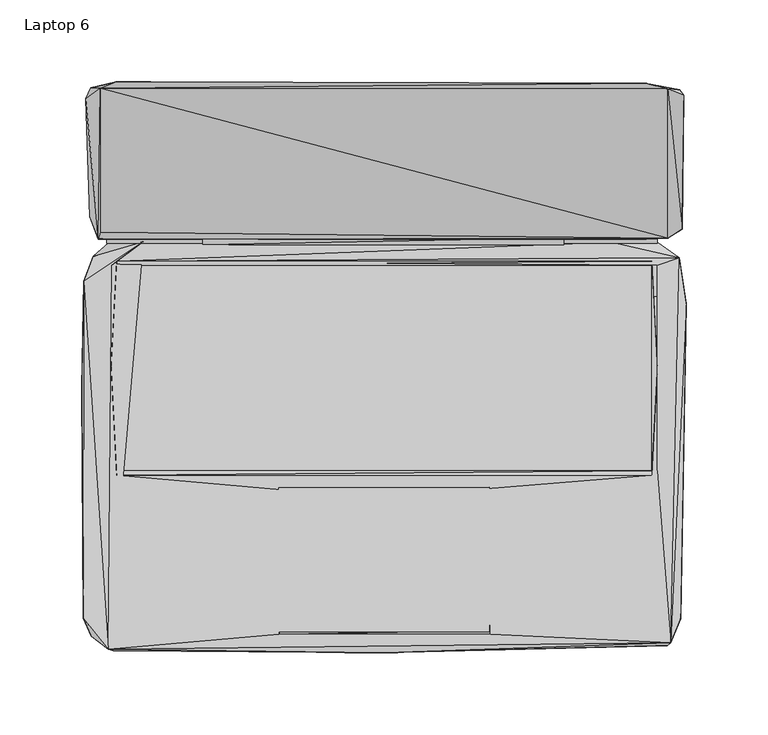
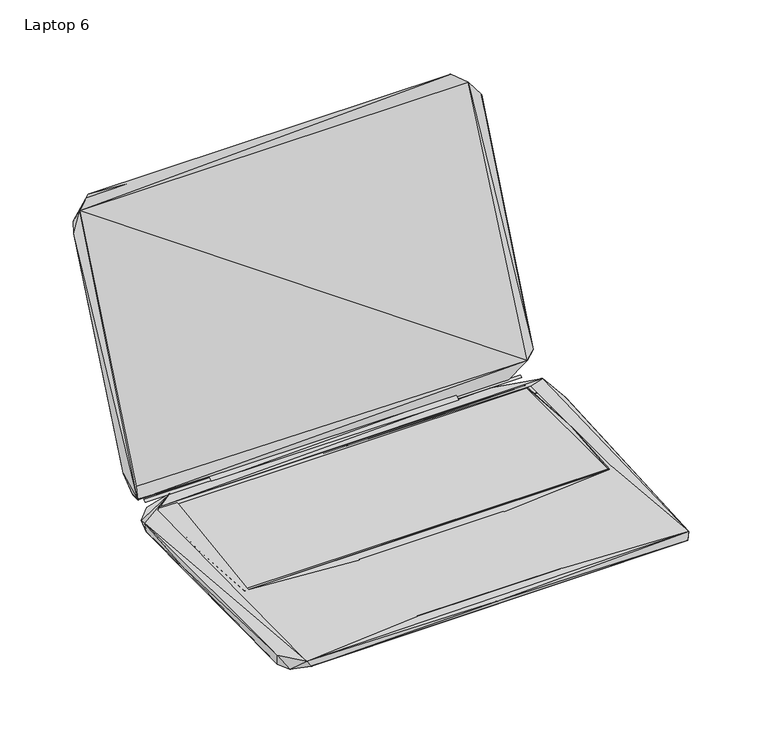
"""IFC4 building model written with IfcOpenShell, lengths in millimetres: furniture geometry, Laptop 6."""

from ifc_helpers import new_model, si_unit, origin, place, context, project, spatial, triangles, source, transform, mapped, element, save


def laptop_6_9c294afb(model_context):
    return source(origin(), model_context, "Body", "Tessellation", [
        triangles([(-110.8122042, 74.6278031, 10.6596248), (109.6013497, 74.6277849, 10.6596248), (109.7013436, 79.0277889, 13.559625), (-110.8122042, 79.1278009, 13.559625), (-177.7495246, 67.5618281, 1.9875597), (-147.0630892, 76.4618209, 11.2875593), (-168.0495353, 76.0618317, 5.7875595), (179.8283403, 64.0617965, 1.3875597), (-175.7495195, 83.7618295, 15.6875588), (179.7283464, 88.3618031, 24.887557), (153.6283407, 77.661793, 9.9875603), (-174.5495201, 78.1618261, 13.8875596), (-173.4495327, 82.3618241, 23.5875592), (-173.4495146, 170.083768, 230.6309262), (173.2283617, 78.5618017, 23.5875592), (-182.3494982, 163.7837528, 215.930915), (-169.4495225, 75.7618318, 11.0875602), (166.7283405, 75.7618045, 11.0875602), (-169.4495225, 78.1618261, 12.3875592), (166.7283405, 78.1617989, 12.3875592), (138.5419251, 76.3618088, 10.7875592), (166.8283526, 76.2617967, 5.8875596), (-166.3495301, 62.0618277, 11.38756), (-163.1495255, 64.7618264, 11.38756), (-163.1495255, 62.1618307, 10.6875596), (163.4283603, 64.7617947, 11.38756), (166.7283405, 62.161808, 11.4875596), (180.1283584, 66.7617998, 11.1875598), (163.4283603, 62.161808, 10.6875596), (181.8283454, 84.261799, 27.087559), (173.2283617, 169.9837378, 230.7309201), (183.028363, 165.9837276, 217.9309201), (180.4283582, 169.283726, 219.6309072), (-179.2495058, 170.3837497, 222.6309239), (-163.4495072, 174.08376, 240.2309216), (159.4283501, 173.283718, 240.9309152), (-183.6495461, -153.3039601, 10.6875596), (-182.5495405, -150.8039492, 0.2875598), (-178.8495483, -164.2039488, 2.0875598), (-168.3495352, -172.303945, 11.1875598), (-184.5495275, -12.9600965, 6.4875599), (-183.349528, 52.5508621, 10.0875599), (-180.9495292, 54.1508644, 0.2875598), (180.9283277, -153.703972, 0.3875598), (-165.1495306, -173.3039384, 5.9875598), (172.9283255, -170.0039763, 4.2875599), (-0.1173745, -174.3039682, 9.9875603), (-64.3902512, -163.2039735, 11.4875596), (-62.6902414, -74.8820299, 10.9875595), (174.8283367, -168.4039832, 11.2875593), (64.669036, -163.2039735, 11.4875596), (-166.5495179, -63.3820233, 11.4875596), (-162.9495378, -66.082022, 11.4875596), (-64.3902512, -161.8039681, 11.0875602), (64.2690422, -161.7039561, 11.0875602), (64.0690453, -73.4820427, 11.0875602), (-64.490236, -73.5820321, 11.0875602), (-63.4902471, -159.803963, 10.9875595), (62.0690493, -161.1039564, 10.9875595), (62.1690523, -74.18205, 10.9875595), (184.3283564, 38.5508355, 8.7875592), (163.4283603, -66.0820538, 11.4875596), (166.7283405, -63.3820506, 11.4875596), (182.5283391, 42.6508396, 0.1875598), (-163.1495255, -66.082022, 11.38756), (163.4283603, -63.3820506, 10.6875596), (-163.1495255, -63.3820233, 10.6875596), (-166.5495179, 0.5399, 11.38756), (166.7283405, -1.7601245, 11.38756), (-179.8495236, 91.6618288, 32.1875588)], [[1, 2, 3], [1, 3, 4], [5, 6, 7], [5, 7, 8], [9, 10, 11], [9, 11, 12], [12, 13, 14], [12, 11, 15], [12, 15, 13], [12, 14, 16], [17, 18, 19], [19, 18, 20], [7, 6, 21], [7, 21, 22], [7, 22, 8], [23, 24, 6], [24, 25, 26], [24, 21, 6], [24, 27, 28], [24, 28, 21], [25, 29, 26], [21, 28, 22], [11, 30, 15], [11, 10, 30], [22, 28, 8], [15, 30, 31], [10, 32, 30], [10, 33, 32], [30, 32, 31], [16, 14, 34], [34, 35, 33], [34, 14, 35], [14, 36, 35], [14, 31, 36], [35, 36, 33], [36, 31, 33], [31, 32, 33], [37, 38, 39], [37, 39, 40], [37, 41, 38], [37, 42, 41], [37, 40, 42], [38, 41, 43], [38, 44, 39], [38, 43, 44], [39, 45, 40], [39, 46, 45], [39, 44, 46], [40, 23, 6], [40, 45, 47], [40, 48, 49], [40, 47, 50], [40, 51, 48], [40, 50, 51], [40, 52, 23], [40, 53, 52], [40, 49, 53], [40, 6, 42], [45, 46, 47], [54, 55, 56], [54, 56, 57], [48, 58, 49], [48, 59, 58], [48, 51, 59], [47, 46, 50], [51, 50, 60], [46, 44, 50], [50, 61, 28], [50, 44, 61], [50, 62, 60], [50, 63, 62], [50, 27, 63], [50, 28, 27], [44, 64, 61], [44, 43, 64], [65, 66, 67], [65, 62, 66], [65, 67, 68], [67, 25, 68], [53, 49, 60], [53, 60, 62], [66, 62, 69], [66, 69, 29], [41, 42, 43], [68, 25, 24], [69, 26, 29], [42, 5, 43], [42, 6, 5], [43, 5, 8], [43, 8, 64], [64, 8, 61], [61, 8, 28], [70, 9, 12], [70, 12, 16], [70, 10, 9], [70, 34, 33], [70, 33, 10], [70, 16, 34]], closed=False),
        triangles([(-163.1627515, -63.4160919, 10.6379669), (163.3643744, -63.4161237, 10.6379669), (-163.1627515, 62.2339648, 10.6379669), (163.3643744, 62.233942, 10.6379669)], [[1, 2, 3], [2, 4, 3]], closed=False),
        triangles([(-173.4428471, 82.3395962, 23.5443364), (173.289786, 78.5395738, 23.5443364), (-173.4428471, 170.1375256, 230.6010043), (173.2898041, 169.9374833, 230.6010043)], [[1, 2, 3], [2, 4, 3]], closed=False),
    ])


if __name__ == "__main__":
    model = new_model("IFC4")
    model_context = context("Model", 3, world=origin())
    ifc_project = project(units=[si_unit("LENGTHUNIT", "METRE", prefix="MILLI")], contexts=[model_context])
    site = spatial("IfcSite", under=ifc_project)
    building = spatial("IfcBuilding", under=site)
    placement = place(None, origin())
    laptop_6_shape = laptop_6_9c294afb(model_context)
    element("IfcFurniture", 1, ObjectType="Laptop 6", at=placement, inside=building, context=model_context, shape_type="MappedRepresentation", body=[
        mapped(laptop_6_shape, transform((0.0, 0.0, 0.0), x_axis=(1.0, 0.0, 0.0), y_axis=(0.0, 1.0, 0.0), z_axis=(0.0, 0.0, 1.0))),
    ])
    save(model, "model.ifc")
